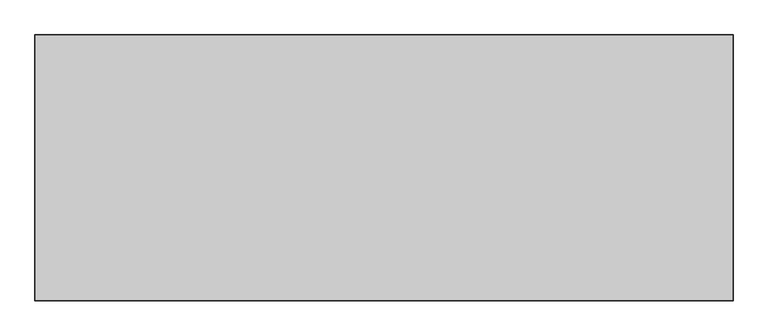
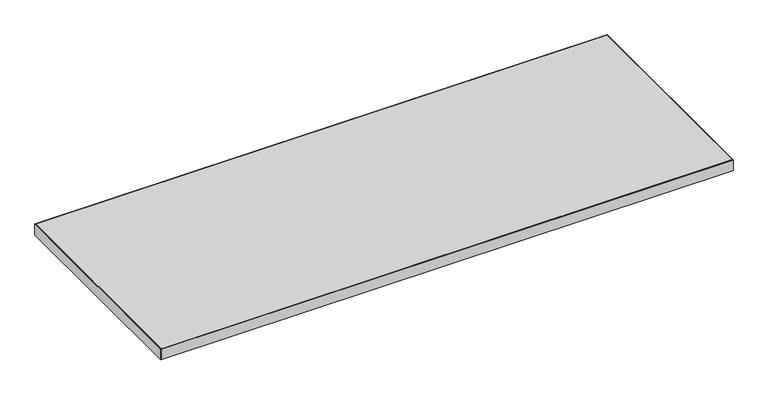
"""IFC4 building model written with IfcOpenShell, lengths in millimetres: furniture geometry."""

from ifc_helpers import new_model, si_unit, frame, origin, place, context, project, spatial, polyline, outline, extrude, source, transform, mapped, element, save


def furniture_c19c7031(model_context):
    return source(origin(), model_context, "Body", "SweptSolid", [
        extrude(outline(polyline([(1522.984, -1.016), (1522.984, -580.1359908), (1.016, -580.1359908), (1.016, -1.016), (1522.984, -1.016)])), frame((0.0, 0.0, 697.2297529), z_axis=(0.0, 0.0, 1.0), x_axis=(1.0, 0.0, 0.0)), (0.0, 0.0, 1.0), 29.972),
        extrude(outline(polyline([(1524.0, -581.1519908), (0.0, -581.1519908), (0.0, 0.0), (1524.0, 0.0), (1524.0, -581.1519908)]), holes=[polyline([(1522.984, -1.016), (1.016, -1.016), (1.016, -580.1359908), (1522.984, -580.1359908), (1522.984, -1.016)])]), frame((0.0, 0.0, 697.2297529), z_axis=(0.0, 0.0, 1.0), x_axis=(1.0, 0.0, 0.0)), (0.0, 0.0, 1.0), 29.972),
    ])


if __name__ == "__main__":
    model = new_model("IFC4")
    model_context = context("Model", 3, world=origin())
    ifc_project = project(units=[si_unit("LENGTHUNIT", "METRE", prefix="MILLI")], contexts=[model_context])
    site = spatial("IfcSite", under=ifc_project)
    building = spatial("IfcBuilding", under=site)
    placement = place(None, origin())
    furniture_shape = furniture_c19c7031(model_context)
    element("IfcFurniture", 1, at=placement, inside=building, context=model_context, shape_type="MappedRepresentation", body=[
        mapped(furniture_shape, transform((0.0, 0.0, 0.0), x_axis=(1.0, 0.0, 0.0), y_axis=(0.0, 1.0, 0.0), z_axis=(0.0, 0.0, 1.0))),
    ])
    save(model, "model.ifc")
